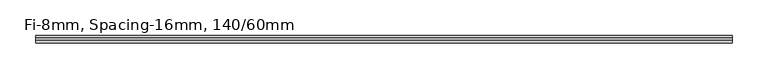
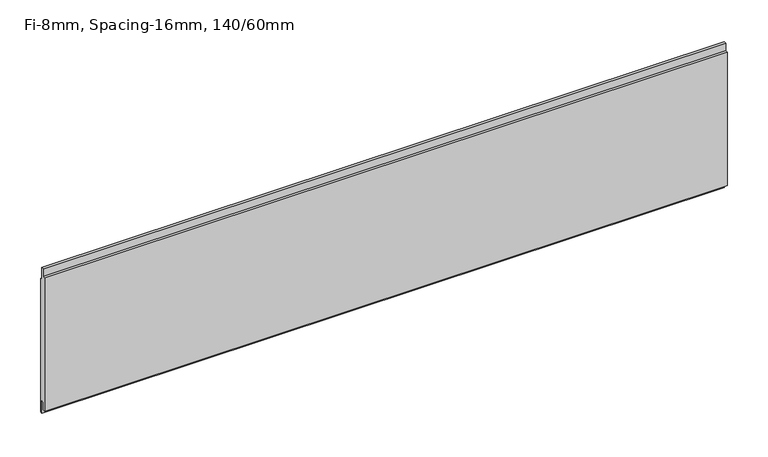
"""IFC4 building model written with IfcOpenShell, lengths in millimetres: plate geometry, Fi-8mm, Spacing-16mm, 140/60mm."""

from ifc_helpers import new_model, si_unit, frame, origin, place, context, project, spatial, polyline, outline, extrude, source, transform, mapped, element, save


def fi_8mm_spacing_16mm_140_60mm_3b35ea0d(model_context):
    return source(origin(), model_context, "Body", "SweptSolid", [
        extrude(outline(polyline([(-1.0, 211.0), (2.0, 211.0), (2.0, 193.0), (5.0, 193.0), (5.0, -7.0), (2.0, -7.0), (2.0, 11.0), (-1.0, 11.0), (-1.0, 0.0), (-5.0, 0.0), (-5.0, 200.0), (-1.0, 200.0), (-1.0, 211.0)])), frame((-483.4, 0.0, 0.0), z_axis=(1.0, 0.0, 0.0), x_axis=(0.0, 1.0, 0.0)), (0.0, 0.0, 1.0), 966.8),
    ])


if __name__ == "__main__":
    model = new_model("IFC4")
    model_context = context("Model", 3, world=origin())
    ifc_project = project(units=[si_unit("LENGTHUNIT", "METRE", prefix="MILLI")], contexts=[model_context])
    site = spatial("IfcSite", under=ifc_project)
    building = spatial("IfcBuilding", under=site)
    placement = place(None, origin())
    fi_8mm_spacing_16mm_140_60mm_shape = fi_8mm_spacing_16mm_140_60mm_3b35ea0d(model_context)
    element("IfcPlate", 1, ObjectType="Fi-8mm, Spacing-16mm, 140/60mm", at=placement, inside=building, context=model_context, shape_type="MappedRepresentation", body=[
        mapped(fi_8mm_spacing_16mm_140_60mm_shape, transform((0.0, 0.0, 0.0), x_axis=(1.0, 0.0, 0.0), y_axis=(0.0, 1.0, 0.0), z_axis=(0.0, 0.0, 1.0))),
    ])
    save(model, "model.ifc")
